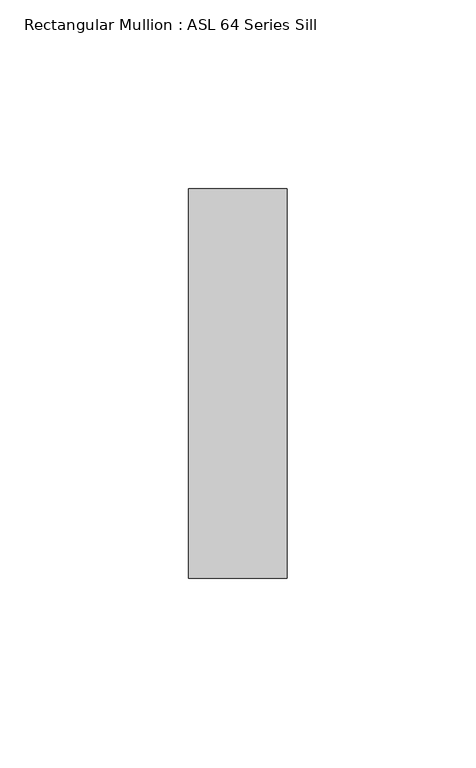
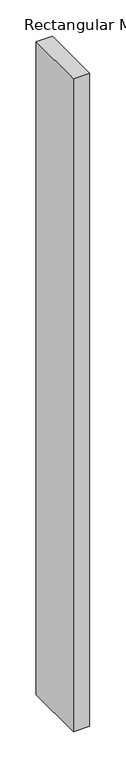
"""IFC4 building model written with IfcOpenShell, lengths in millimetres: member geometry, Rectangular Mullion : ASL 64 Series Sill."""

from ifc_helpers import new_model, si_unit, frame, origin, place, context, project, spatial, polyline, outline, extrude, source, transform, mapped, element, save


def rectangular_mullion_asl_64_series_sill_9da465c6(model_context):
    return source(origin(), model_context, "Body", "SweptSolid", [
        extrude(outline(polyline([(-26.0, 51.5), (0.0, 51.5), (0.0, -51.5), (-26.0, -51.5), (-26.0, 51.5)])), frame((0.0, 0.0, -1100.0), z_axis=(0.0, 0.0, 1.0), x_axis=(1.0, 0.0, 0.0)), (0.0, 0.0, 1.0), 1100.0),
    ])


if __name__ == "__main__":
    model = new_model("IFC4")
    model_context = context("Model", 3, world=origin())
    ifc_project = project(units=[si_unit("LENGTHUNIT", "METRE", prefix="MILLI")], contexts=[model_context])
    site = spatial("IfcSite", under=ifc_project)
    building = spatial("IfcBuilding", under=site)
    placement = place(None, origin())
    rectangular_mullion_asl_64_series_sill_shape = rectangular_mullion_asl_64_series_sill_9da465c6(model_context)
    element("IfcMember", 1, ObjectType="Rectangular Mullion : ASL 64 Series Sill", at=placement, inside=building, context=model_context, shape_type="MappedRepresentation", body=[
        mapped(rectangular_mullion_asl_64_series_sill_shape, transform((0.0, 0.0, 0.0), x_axis=(1.0, 0.0, 0.0), y_axis=(0.0, 1.0, 0.0), z_axis=(0.0, 0.0, 1.0))),
    ])
    save(model, "model.ifc")
